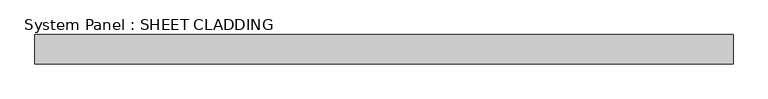
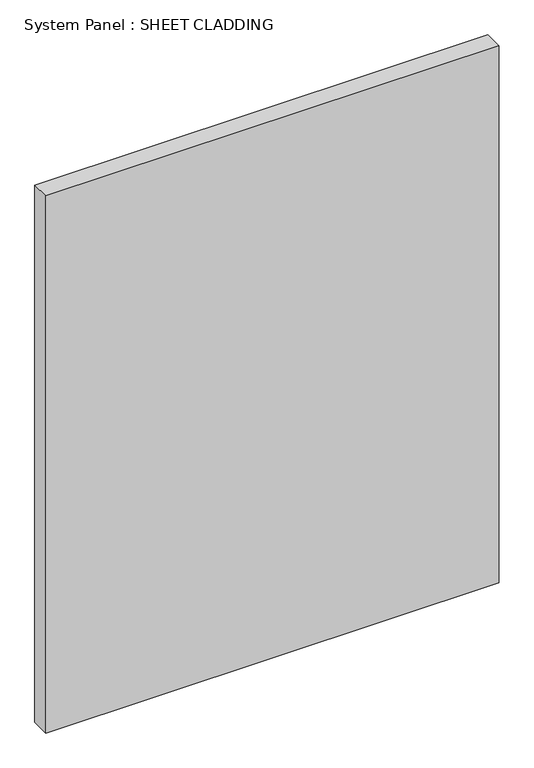
"""IFC4 building model written with IfcOpenShell, lengths in millimetres: plate geometry, System Panel : SHEET CLADDING."""

from ifc_helpers import new_model, si_unit, origin, origin_with_axes, place, context, project, spatial, polyline, outline, extrude, source, transform, mapped, element, save


def system_panel_sheet_cladding_8b4ab4d2(model_context):
    return source(origin(), model_context, "Body", "SweptSolid", [
        extrude(outline(polyline([(718.75, -49.5), (-718.75, -49.5), (-718.75, 10.5), (718.75, 10.5), (718.75, -49.5)])), origin_with_axes(), (0.0, 0.0, 1.0), 1800.0),
    ])


if __name__ == "__main__":
    model = new_model("IFC4")
    model_context = context("Model", 3, world=origin())
    ifc_project = project(units=[si_unit("LENGTHUNIT", "METRE", prefix="MILLI")], contexts=[model_context])
    site = spatial("IfcSite", under=ifc_project)
    building = spatial("IfcBuilding", under=site)
    placement = place(None, origin())
    system_panel_sheet_cladding_shape = system_panel_sheet_cladding_8b4ab4d2(model_context)
    element("IfcPlate", 1, ObjectType="System Panel : SHEET CLADDING", at=placement, inside=building, context=model_context, shape_type="MappedRepresentation", body=[
        mapped(system_panel_sheet_cladding_shape, transform((0.0, 0.0, 0.0), x_axis=(1.0, 0.0, 0.0), y_axis=(0.0, 1.0, 0.0), z_axis=(0.0, 0.0, 1.0))),
    ])
    save(model, "model.ifc")
